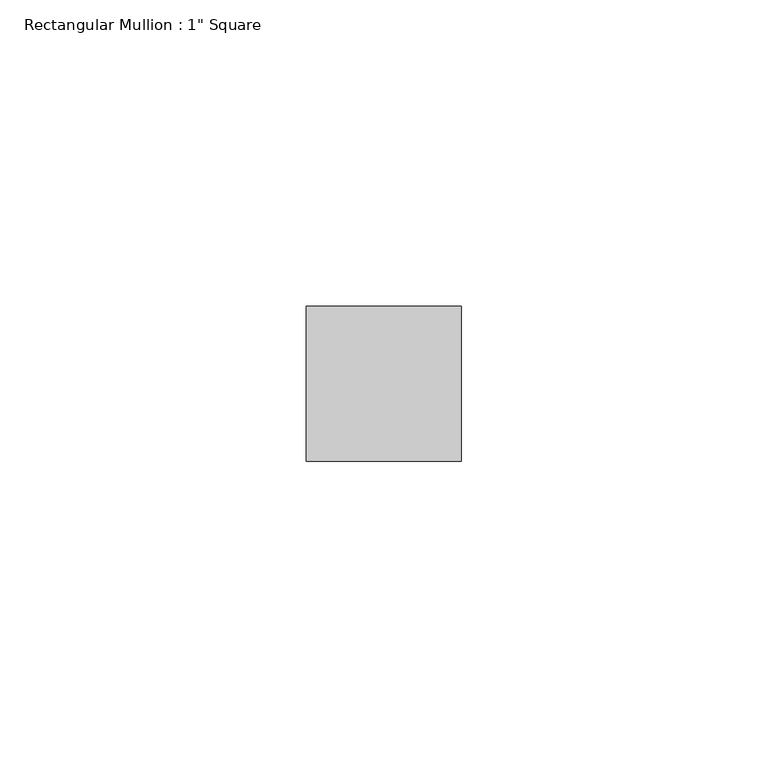
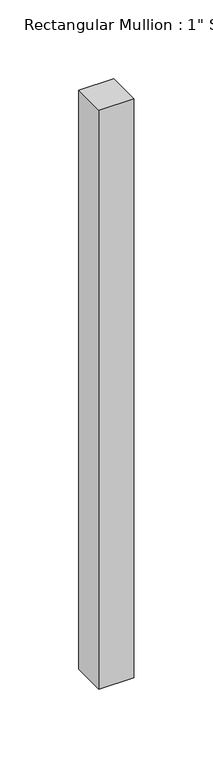
"""IFC4 building model written with IfcOpenShell, lengths in millimetres: member geometry."""

from ifc_helpers import new_model, si_unit, frame, origin, place, context, project, spatial, polyline, outline, extrude, source, transform, mapped, element, save


def member_4ae9cb27(model_context):
    return source(origin(), model_context, "Body", "SweptSolid", [
        extrude(outline(polyline([(0.0, 12.7), (0.0, -12.7), (-25.4, -12.7), (-25.4, 12.7), (0.0, 12.7)])), frame((0.0, 0.0, -447.675), z_axis=(0.0, 0.0, 1.0), x_axis=(1.0, 0.0, 0.0)), (0.0, 0.0, 1.0), 447.675),
    ])


if __name__ == "__main__":
    model = new_model("IFC4")
    model_context = context("Model", 3, world=origin())
    ifc_project = project(units=[si_unit("LENGTHUNIT", "METRE", prefix="MILLI")], contexts=[model_context])
    site = spatial("IfcSite", under=ifc_project)
    building = spatial("IfcBuilding", under=site)
    placement = place(None, origin())
    member_shape = member_4ae9cb27(model_context)
    element("IfcMember", 1, ObjectType="Rectangular Mullion : 1\" Square", at=placement, inside=building, context=model_context, shape_type="MappedRepresentation", body=[
        mapped(member_shape, transform((0.0, 0.0, 0.0), x_axis=(1.0, 0.0, 0.0), y_axis=(0.0, 1.0, 0.0), z_axis=(0.0, 0.0, 1.0))),
    ])
    save(model, "model.ifc")
